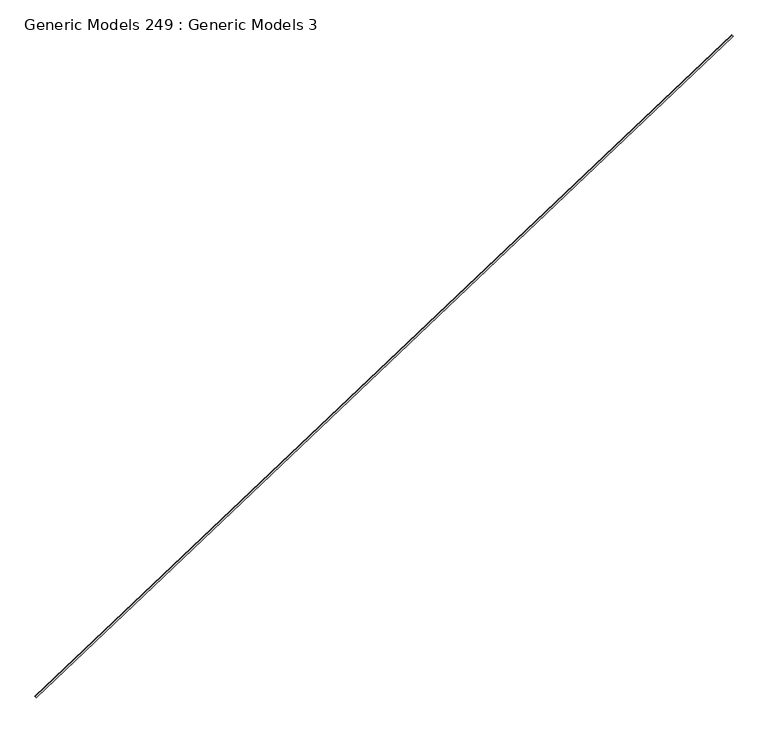
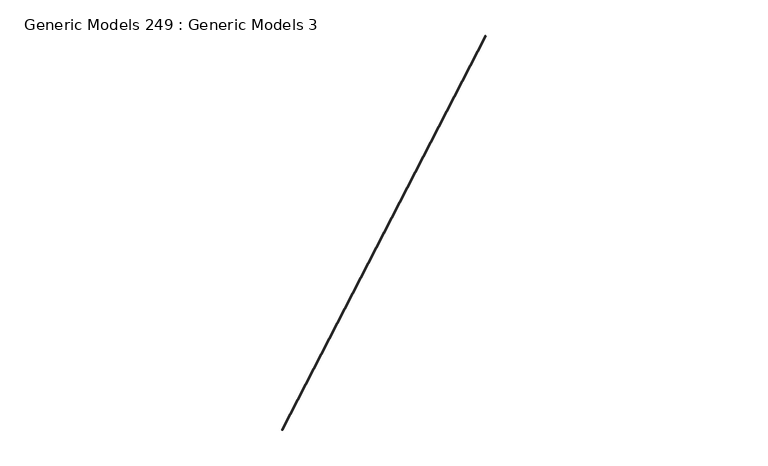
"""IFC4 building model written with IfcOpenShell, lengths in millimetres: proxy geometry, Generic Models 249 : Generic Models 3."""

from ifc_helpers import new_model, si_unit, frame, origin, place, context, project, spatial, polyline, outline, extrude, source, transform, mapped, element, save


def generic_models_249_generic_models_3_4a40ea6c(model_context):
    return source(origin(), model_context, "Body", "SweptSolid", [
        extrude(outline(polyline([(-378.5777886, -7.4390881), (-378.5777886, 0.0), (-368.9142254, 0.0), (-368.9142254, -0.79375), (-377.7840385, -0.79375), (-377.7840385, -7.4390881), (-378.5777886, -7.4390881)])), frame((108104.4594696, 48509.1859695, 18715.3769287), z_axis=(0.7253743710122986, 0.6883545756937424, 0.0), x_axis=(0.6883545756937424, -0.7253743710122986, 0.0)), (0.0, 0.0, 1.0), 4530.725),
    ])


if __name__ == "__main__":
    model = new_model("IFC4")
    model_context = context("Model", 3, world=origin())
    ifc_project = project(units=[si_unit("LENGTHUNIT", "METRE", prefix="MILLI")], contexts=[model_context])
    site = spatial("IfcSite", under=ifc_project)
    building = spatial("IfcBuilding", under=site)
    placement = place(None, origin())
    generic_models_249_generic_models_3_shape = generic_models_249_generic_models_3_4a40ea6c(model_context)
    element("IfcBuildingElementProxy", 1, Name="Generic Models 249 : Generic Models 3", ObjectType="Generic Models 249 : Generic Models 3", at=placement, inside=building, context=model_context, shape_type="MappedRepresentation", body=[
        mapped(generic_models_249_generic_models_3_shape, transform((0.0, 0.0, 0.0), x_axis=(1.0, 0.0, 0.0), y_axis=(0.0, 1.0, 0.0), z_axis=(0.0, 0.0, 1.0))),
    ])
    save(model, "model.ifc")
